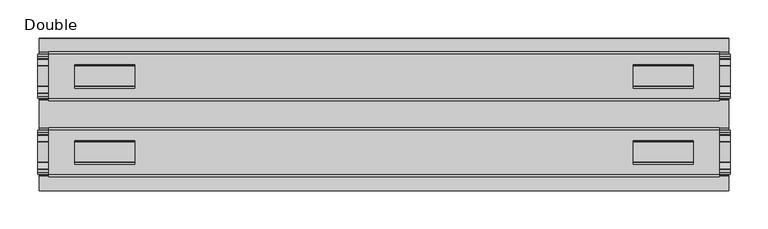
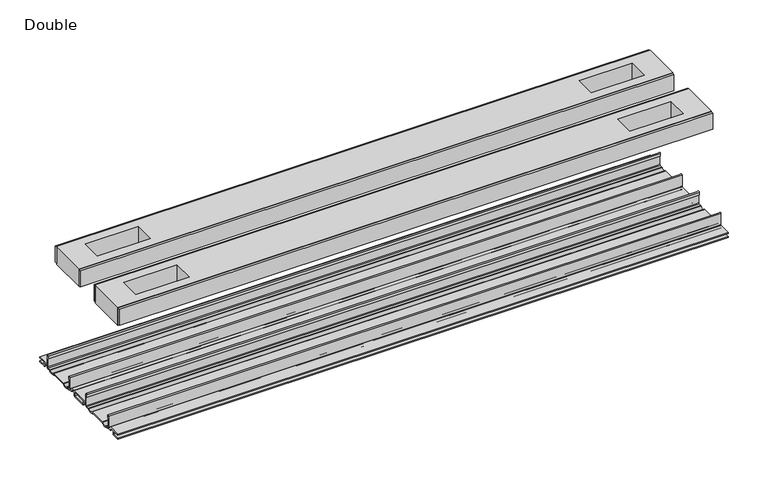
"""IFC4 building model written with IfcOpenShell, lengths in millimetres: proxy geometry, Double."""

from ifc_helpers import new_model, si_unit, point, frame, frame_2d, origin, place, context, project, spatial, polyline, circle_curve, trimmed, segment, composite_curve, outline, extrude, source, transform, mapped, element, save


def double_75f63c43(model_context):
    return source(origin(), model_context, "Body", "SweptSolid", [
        extrude(outline(composite_curve([segment(polyline([(-78.8225461, -7.7516037), (-78.8225461, 9.8607558)]), True, "CONTINUOUS"), segment(trimmed(circle_curve(frame_2d((-77.6033482, 9.8607558)), 1.2191979), [point((-78.8225461, 9.8607558))], [point((-76.3841503, 9.8607558))], False, "CARTESIAN"), True, "CONTINUOUS"), segment(polyline([(-76.3841503, 9.8607558), (-76.3841503, 5.9999563), (-77.6643269, 5.9999563), (-77.6643269, -7.7516037)]), True, "CONTINUOUS"), segment(trimmed(circle_curve(frame_2d((-76.6483061, -7.7516037)), 1.0160208), [point((-77.6643269, -7.7516037))], [point((-76.6548232, -8.7676036))], True, "CARTESIAN"), True, "CONTINUOUS"), segment(polyline([(-76.6548232, -8.7676036), (-72.7118726, -8.7676036), (-71.7985108, -8.968753)]), True, "CONTINUOUS"), segment(trimmed(circle_curve(frame_2d((-67.7735521, -6.1259382)), 4.9276657), [point((-71.7985108, -8.968753))], [point((-63.7485934, -8.968753))], True, "CARTESIAN"), True, "CONTINUOUS"), segment(polyline([(-63.7485934, -8.968753), (-62.8352226, -8.7676036), (-36.7962778, -8.7676036), (-35.8829069, -8.968753)]), True, "CONTINUOUS"), segment(trimmed(circle_curve(frame_2d((-31.8579482, -6.1259382)), 4.9276657), [point((-35.8829069, -8.968753))], [point((-27.8329895, -8.968753))], True, "CARTESIAN"), True, "CONTINUOUS"), segment(polyline([(-27.8329895, -8.968753), (-26.9196277, -8.7676036), (-22.9766772, -8.7676036)]), True, "CONTINUOUS"), segment(trimmed(circle_curve(frame_2d((-22.9831943, -7.7516037)), 1.0160208), [point((-22.9766772, -8.7676036))], [point((-21.9671735, -7.7516037))], True, "CARTESIAN"), True, "CONTINUOUS"), segment(polyline([(-21.9671735, -7.7516037), (-21.9671735, 5.9999563), (-23.2473501, 5.9999563), (-23.2473501, 9.8607558)]), True, "CONTINUOUS"), segment(trimmed(circle_curve(frame_2d((-22.0281522, 9.8607558)), 1.2191979), [point((-23.2473501, 9.8607558))], [point((-20.8089542, 9.8607558))], False, "CARTESIAN"), True, "CONTINUOUS"), segment(polyline([(-20.8089542, 9.8607558), (-20.8089542, -7.7516037)]), True, "CONTINUOUS"), segment(trimmed(circle_curve(frame_2d((-22.9831943, -7.7516037)), 2.17424), [point((-20.8089542, -7.7516037))], [point((-22.9831943, -9.9258438))], False, "CARTESIAN"), True, "CONTINUOUS"), segment(polyline([(-22.9831943, -9.9258438), (-27.274181, -9.9258438)]), True, "CONTINUOUS"), segment(trimmed(circle_curve(frame_2d((-31.8545955, -6.4800016)), 5.7318431), [point((-27.274181, -9.9258438))], [point((-36.43501, -9.9258438))], False, "CARTESIAN"), True, "CONTINUOUS"), segment(polyline([(-36.43501, -9.9258438), (-63.1964904, -9.9258438)]), True, "CONTINUOUS"), segment(trimmed(circle_curve(frame_2d((-67.7769049, -6.4800016)), 5.7318431), [point((-63.1964904, -9.9258438))], [point((-72.3573194, -9.9258438))], False, "CARTESIAN"), True, "CONTINUOUS"), segment(polyline([(-72.3573194, -9.9258438), (-76.6483061, -9.9258438)]), True, "CONTINUOUS"), segment(trimmed(circle_curve(frame_2d((-76.6483061, -7.7516037)), 2.17424), [point((-76.6483061, -9.9258438))], [point((-78.8225461, -7.7516037))], False, "CARTESIAN"), True, "CONTINUOUS")], self_intersect=False)), frame((-455.3204, 0.0, 0.0), z_axis=(1.0, 0.0, 0.0), x_axis=(0.0, 1.0, 0.0)), (0.0, 0.0, 1.0), 910.6408),
        extrude(outline(composite_curve([segment(trimmed(circle_curve(frame_2d((77.0293057, -7.7516037)), 2.17424), [point((79.2035458, -7.7516037))], [point((77.0293057, -9.9258438))], False, "CARTESIAN"), True, "CONTINUOUS"), segment(polyline([(77.0293057, -9.9258438), (72.738319, -9.9258438)]), True, "CONTINUOUS"), segment(trimmed(circle_curve(frame_2d((68.1579045, -6.4800016)), 5.7318431), [point((72.738319, -9.9258438))], [point((63.57749, -9.9258438))], False, "CARTESIAN"), True, "CONTINUOUS"), segment(polyline([(63.57749, -9.9258438), (36.8160096, -9.9258438)]), True, "CONTINUOUS"), segment(trimmed(circle_curve(frame_2d((32.2355951, -6.4800016)), 5.7318431), [point((36.8160096, -9.9258438))], [point((27.6551806, -9.9258438))], False, "CARTESIAN"), True, "CONTINUOUS"), segment(polyline([(27.6551806, -9.9258438), (23.3641939, -9.9258438)]), True, "CONTINUOUS"), segment(trimmed(circle_curve(frame_2d((23.3641939, -7.7516037)), 2.17424), [point((23.3641939, -9.9258438))], [point((21.1899539, -7.7516037))], False, "CARTESIAN"), True, "CONTINUOUS"), segment(polyline([(21.1899539, -7.7516037), (21.1899539, 9.8607558)]), True, "CONTINUOUS"), segment(trimmed(circle_curve(frame_2d((22.4091518, 9.8607558)), 1.2191979), [point((21.1899539, 9.8607558))], [point((23.6283497, 9.8607558))], False, "CARTESIAN"), True, "CONTINUOUS"), segment(polyline([(23.6283497, 9.8607558), (23.6283497, 5.9999563), (22.3481731, 5.9999563), (22.3481731, -7.7516037)]), True, "CONTINUOUS"), segment(trimmed(circle_curve(frame_2d((23.3641939, -7.7516037)), 1.0160208), [point((22.3481731, -7.7516037))], [point((23.3576768, -8.7676036))], True, "CARTESIAN"), True, "CONTINUOUS"), segment(polyline([(23.3576768, -8.7676036), (27.3006274, -8.7676036), (28.2139892, -8.968753)]), True, "CONTINUOUS"), segment(trimmed(circle_curve(frame_2d((32.2389479, -6.1259382)), 4.9276657), [point((28.2139892, -8.968753))], [point((36.2639066, -8.968753))], True, "CARTESIAN"), True, "CONTINUOUS"), segment(polyline([(36.2639066, -8.968753), (37.1772774, -8.7676036), (63.2162222, -8.7676036), (64.1295931, -8.968753)]), True, "CONTINUOUS"), segment(trimmed(circle_curve(frame_2d((68.1545518, -6.1259382)), 4.9276657), [point((64.1295931, -8.968753))], [point((72.1795105, -8.968753))], True, "CARTESIAN"), True, "CONTINUOUS"), segment(polyline([(72.1795105, -8.968753), (73.0928723, -8.7676036), (77.0358228, -8.7676036)]), True, "CONTINUOUS"), segment(trimmed(circle_curve(frame_2d((77.0293057, -7.7516037)), 1.0160208), [point((77.0358228, -8.7676036))], [point((78.0453265, -7.7516037))], True, "CARTESIAN"), True, "CONTINUOUS"), segment(polyline([(78.0453265, -7.7516037), (78.0453265, 5.9999563), (76.7651499, 5.9999563), (76.7651499, 9.8607558)]), True, "CONTINUOUS"), segment(trimmed(circle_curve(frame_2d((77.9843478, 9.8607558)), 1.2191979), [point((76.7651499, 9.8607558))], [point((79.2035458, 9.8607558))], False, "CARTESIAN"), True, "CONTINUOUS"), segment(polyline([(79.2035458, 9.8607558), (79.2035458, -7.7516037)]), True, "CONTINUOUS")], self_intersect=False)), frame((-455.3204, 0.0, 0.0), z_axis=(1.0, 0.0, 0.0), x_axis=(0.0, 1.0, 0.0)), (0.0, 0.0, 1.0), 910.6408),
        extrude(outline(polyline([(441.2615091, -78.8225461), (441.2615091, -81.9975522), (-441.2615091, -81.9975522), (-441.2615091, -78.8225461), (441.2615091, -78.8225461)])), frame((0.0, 0.0, 149.8401622), z_axis=(0.0, 0.0, 1.0), x_axis=(1.0, 0.0, 0.0)), (0.0, 0.0, 1.0), 25.3999939),
        extrude(outline(polyline([(441.2615091, -17.6339482), (441.2615091, -20.8089542), (-441.2615091, -20.8089542), (-441.2615091, -17.6339482), (441.2615091, -17.6339482)])), frame((0.0, 0.0, 149.8401622), z_axis=(0.0, 0.0, 1.0), x_axis=(1.0, 0.0, 0.0)), (0.0, 0.0, 1.0), 25.3999939),
        extrude(outline(polyline([(441.2615091, 21.1899493), (441.2615091, 18.0149501), (-441.2615091, 18.0149501), (-441.2615091, 21.1899493), (441.2615091, 21.1899493)])), frame((0.0, 0.0, 149.8401622), z_axis=(0.0, 0.0, 1.0), x_axis=(1.0, 0.0, 0.0)), (0.0, 0.0, 1.0), 25.3999939),
        extrude(outline(polyline([(441.2615091, 82.3785496), (441.2615091, 79.2035503), (-441.2615091, 79.2035503), (-441.2615091, 82.3785496), (441.2615091, 82.3785496)])), frame((0.0, 0.0, 149.8401622), z_axis=(0.0, 0.0, 1.0), x_axis=(1.0, 0.0, 0.0)), (0.0, 0.0, 1.0), 25.3999939),
        extrude(outline(polyline([(441.2615091, 79.2035503), (441.2615091, 21.1899493), (-441.2615091, 21.1899493), (-441.2615091, 79.2035503), (441.2615091, 79.2035503)]), holes=[polyline([(406.8444965, 65.3097536), (327.7996847, 65.3097536), (327.7996847, 34.3217468), (406.8444965, 34.3217468), (406.8444965, 65.3097536)]), polyline([(-406.8444965, 65.3097536), (-406.8444965, 34.3217468), (-327.7996847, 34.3217468), (-327.7996847, 65.3097536), (-406.8444965, 65.3097536)])]), frame((0.0, 0.0, 148.4185847), z_axis=(0.0, 0.0, 1.0), x_axis=(1.0, 0.0, 0.0)), (0.0, 0.0, 1.0), 27.9999988),
        extrude(outline(polyline([(441.2615091, -78.8225461), (-441.2615091, -78.8225461), (-441.2615091, -20.8224524), (441.2615091, -20.8224524), (441.2615091, -78.8225461)]), holes=[polyline([(406.8444965, -65.3097536), (406.8444965, -34.3217468), (327.7996847, -34.3217468), (327.7996847, -65.3097536), (406.8444965, -65.3097536)]), polyline([(-406.8444965, -65.3097536), (-327.7996847, -65.3097536), (-327.7996847, -34.3217468), (-406.8444965, -34.3217468), (-406.8444965, -65.3097536)])]), frame((0.0, 0.0, 148.4185847), z_axis=(0.0, 0.0, 1.0), x_axis=(1.0, 0.0, 0.0)), (0.0, 0.0, 1.0), 27.9999988),
        extrude(outline(composite_curve([segment(polyline([(-100.2730922, -13.9898438), (-100.2302711, -12.3388438), (-89.7890007, -12.3388438), (-89.7890007, -7.766844), (-100.2302711, -7.766844), (-100.2730922, -6.1158439), (-81.1847475, -6.1158439)]), True, "CONTINUOUS"), segment(trimmed(circle_curve(frame_2d((-81.1847475, -7.6398436)), 1.5239997), [point((-81.1847475, -6.1158439))], [point((-79.6607478, -7.6398436))], False, "CARTESIAN"), True, "CONTINUOUS"), segment(polyline([(-79.6607478, -7.6398436), (-79.6607478, -9.9258438), (-73.1120844, -9.9258438)]), True, "CONTINUOUS"), segment(trimmed(circle_curve(frame_2d((-67.7735521, -5.2268471)), 7.1119966), [point((-73.1120844, -9.9258438))], [point((-62.4350199, -9.9258438))], True, "CARTESIAN"), True, "CONTINUOUS"), segment(polyline([(-62.4350199, -9.9258438), (-37.1964805, -9.9258438)]), True, "CONTINUOUS"), segment(trimmed(circle_curve(frame_2d((-31.8579482, -5.2268471)), 7.1119966), [point((-37.1964805, -9.9258438))], [point((-26.519416, -9.9258438))], True, "CARTESIAN"), True, "CONTINUOUS"), segment(polyline([(-26.519416, -9.9258438), (-19.9707525, -9.9258438), (-19.9707525, -7.7656583)]), True, "CONTINUOUS"), segment(trimmed(circle_curve(frame_2d((-18.3197518, -7.7656583)), 1.6510007), [point((-19.9707525, -7.7656583))], [point((-18.3823282, -6.1158439))], False, "CARTESIAN"), True, "CONTINUOUS"), segment(polyline([(-18.3823282, -6.1158439), (18.7633278, -6.1158439)]), True, "CONTINUOUS"), segment(trimmed(circle_curve(frame_2d((18.7007515, -7.7656583)), 1.6510007), [point((18.7633278, -6.1158439))], [point((20.3517522, -7.7656583))], False, "CARTESIAN"), True, "CONTINUOUS"), segment(polyline([(20.3517522, -7.7656583), (20.3517522, -9.9258438), (26.9004156, -9.9258438)]), True, "CONTINUOUS"), segment(trimmed(circle_curve(frame_2d((32.2389479, -5.2268471)), 7.1119966), [point((26.9004156, -9.9258438))], [point((37.5774801, -9.9258438))], True, "CARTESIAN"), True, "CONTINUOUS"), segment(polyline([(37.5774801, -9.9258438), (62.8160195, -9.9258438)]), True, "CONTINUOUS"), segment(trimmed(circle_curve(frame_2d((68.1545518, -5.2268471)), 7.1119966), [point((62.8160195, -9.9258438))], [point((73.493084, -9.9258438))], True, "CARTESIAN"), True, "CONTINUOUS"), segment(polyline([(73.493084, -9.9258438), (80.0417475, -9.9258438), (80.0417475, -7.7656583)]), True, "CONTINUOUS"), segment(trimmed(circle_curve(frame_2d((81.6927482, -7.7656583)), 1.6510007), [point((80.0417475, -7.7656583))], [point((81.6301718, -6.1158439))], False, "CARTESIAN"), True, "CONTINUOUS"), segment(polyline([(81.6301718, -6.1158439), (100.6540918, -6.1158439), (100.6112708, -7.766844), (90.1700003, -7.766844), (90.1700003, -12.3388438), (100.6112708, -12.3388438), (100.6540918, -13.9898438), (90.0430018, -13.9898438)]), True, "CONTINUOUS"), segment(trimmed(circle_curve(frame_2d((90.0430018, -12.4658438)), 1.524), [point((90.0430018, -13.9898438))], [point((88.5190019, -12.4658438))], False, "CARTESIAN"), True, "CONTINUOUS"), segment(polyline([(88.5190019, -12.4658438), (88.5190019, -7.766844), (81.692747, -7.766844), (81.692747, -10.0528438)]), True, "CONTINUOUS"), segment(trimmed(circle_curve(frame_2d((80.1687471, -10.0528438)), 1.524), [point((81.692747, -10.0528438))], [point((80.1687471, -11.5768438))], False, "CARTESIAN"), True, "CONTINUOUS"), segment(polyline([(80.1687471, -11.5768438), (73.6626049, -11.5768438)]), True, "CONTINUOUS"), segment(trimmed(circle_curve(frame_2d((68.1545518, -6.4968436)), 7.4930002), [point((73.6626049, -11.5768438))], [point((62.8967468, -11.8354331))], False, "CARTESIAN"), True, "CONTINUOUS"), segment(polyline([(62.8967468, -11.8354331), (37.4967528, -11.8354331)]), True, "CONTINUOUS"), segment(trimmed(circle_curve(frame_2d((32.2389479, -6.4968436)), 7.4930002), [point((37.4967528, -11.8354331))], [point((26.7308947, -11.5768438))], False, "CARTESIAN"), True, "CONTINUOUS"), segment(polyline([(26.7308947, -11.5768438), (20.2247526, -11.5768438)]), True, "CONTINUOUS"), segment(trimmed(circle_curve(frame_2d((20.2247526, -10.0528438)), 1.524), [point((20.2247526, -11.5768438))], [point((18.7007526, -10.0528438))], False, "CARTESIAN"), True, "CONTINUOUS"), segment(polyline([(18.7007526, -10.0528438), (18.7007526, -7.766844), (11.8744978, -7.766844), (11.8744978, -12.4658438)]), True, "CONTINUOUS"), segment(trimmed(circle_curve(frame_2d((10.3504978, -12.4658438)), 1.524), [point((11.8744978, -12.4658438))], [point((10.3504978, -13.9898438))], False, "CARTESIAN"), True, "CONTINUOUS"), segment(polyline([(10.3504978, -13.9898438), (-9.9694982, -13.9898438)]), True, "CONTINUOUS"), segment(trimmed(circle_curve(frame_2d((-9.9694982, -12.4658438)), 1.524), [point((-9.9694982, -13.9898438))], [point((-11.4934981, -12.4658438))], False, "CARTESIAN"), True, "CONTINUOUS"), segment(polyline([(-11.4934981, -12.4658438), (-11.4934981, -7.766844), (-18.319753, -7.766844), (-18.319753, -10.0528438)]), True, "CONTINUOUS"), segment(trimmed(circle_curve(frame_2d((-19.8437529, -10.0528438)), 1.524), [point((-18.319753, -10.0528438))], [point((-19.8437529, -11.5768438))], False, "CARTESIAN"), True, "CONTINUOUS"), segment(polyline([(-19.8437529, -11.5768438), (-26.3498951, -11.5768438)]), True, "CONTINUOUS"), segment(trimmed(circle_curve(frame_2d((-31.8579482, -6.4968436)), 7.4930002), [point((-26.3498951, -11.5768438))], [point((-37.1157532, -11.8354331))], False, "CARTESIAN"), True, "CONTINUOUS"), segment(polyline([(-37.1157532, -11.8354331), (-62.5157472, -11.8354331)]), True, "CONTINUOUS"), segment(trimmed(circle_curve(frame_2d((-67.7735521, -6.4968436)), 7.4930002), [point((-62.5157472, -11.8354331))], [point((-73.2816053, -11.5768438))], False, "CARTESIAN"), True, "CONTINUOUS"), segment(polyline([(-73.2816053, -11.5768438), (-79.7877474, -11.5768438)]), True, "CONTINUOUS"), segment(trimmed(circle_curve(frame_2d((-79.7877474, -10.0528438)), 1.524), [point((-79.7877474, -11.5768438))], [point((-81.3117474, -10.0528438))], False, "CARTESIAN"), True, "CONTINUOUS"), segment(polyline([(-81.3117474, -10.0528438), (-81.3117474, -7.766844), (-88.1380022, -7.766844), (-88.1380022, -12.4658438)]), True, "CONTINUOUS"), segment(trimmed(circle_curve(frame_2d((-89.6620022, -12.4658438)), 1.524), [point((-88.1380022, -12.4658438))], [point((-89.6620022, -13.9898438))], False, "CARTESIAN"), True, "CONTINUOUS"), segment(polyline([(-89.6620022, -13.9898438), (-100.2730922, -13.9898438)]), True, "CONTINUOUS")], self_intersect=False), holes=[polyline([(-9.8424997, -12.3388438), (10.2234993, -12.3388438), (10.2234993, -7.766844), (-9.8424997, -7.766844), (-9.8424997, -12.3388438)])]), frame((-453.6694, 0.0, 0.0), z_axis=(1.0, 0.0, 0.0), x_axis=(0.0, 1.0, 0.0)), (0.0, 0.0, 1.0), 907.3388),
    ])


if __name__ == "__main__":
    model = new_model("IFC4")
    model_context = context("Model", 3, world=origin())
    ifc_project = project(units=[si_unit("LENGTHUNIT", "METRE", prefix="MILLI")], contexts=[model_context])
    site = spatial("IfcSite", under=ifc_project)
    building = spatial("IfcBuilding", under=site)
    placement = place(None, origin())
    double_shape = double_75f63c43(model_context)
    element("IfcBuildingElementProxy", 1, Name="Double", ObjectType="Double", at=placement, inside=building, context=model_context, shape_type="MappedRepresentation", body=[
        mapped(double_shape, transform((0.0, 0.0, 0.0), x_axis=(1.0, 0.0, 0.0), y_axis=(0.0, 1.0, 0.0), z_axis=(0.0, 0.0, 1.0))),
    ])
    save(model, "model.ifc")
